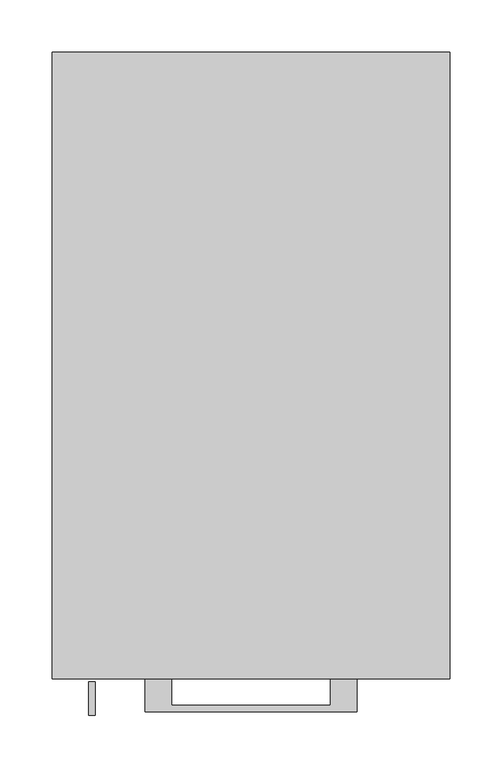
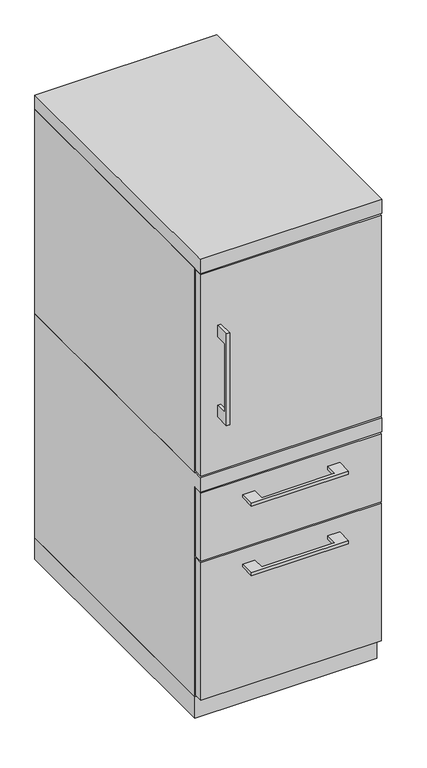
"""IFC4 building model written with IfcOpenShell, lengths in millimetres: furniture geometry."""

from ifc_helpers import new_model, si_unit, frame, origin, origin_with_axes, place, context, project, spatial, polyline, outline, extrude, faceted_brep, source, transform, mapped, element, save


def furniture_416bf3c3(model_context):
    return source(origin(), model_context, "Body", "SolidModel", [
        extrude(outline(polyline([(-603.25, 846.93125), (-628.6499758, 846.93125), (-628.6499758, 694.53125), (-603.25, 694.53125), (-603.25, 669.13125), (-634.9999879, 669.13125), (-634.9999879, 872.33125), (-603.25, 872.33125), (-603.25, 846.93125)])), frame((-155.5749879, 0.0, 0.0), z_axis=(1.0, 0.0, 0.0), x_axis=(0.0, 1.0, 0.0)), (0.0, 0.0, 1.0), 6.3499758),
        extrude(outline(polyline([(188.9125, -600.075), (-188.9125, -600.075), (-188.9125, -581.025), (188.9125, -581.025), (188.9125, -600.075)])), frame((0.0, 0.0, 547.6875), z_axis=(0.0, 0.0, 1.0), x_axis=(1.0, 0.0, 0.0)), (0.0, 0.0, 1.0), 446.0875),
        extrude(outline(polyline([(-76.1999818, -600.075), (-76.1999818, -625.4749758), (76.2, -625.4749758), (76.2, -600.075), (101.5999939, -600.075), (101.5999939, -631.8249879), (-101.5999939, -631.8249879), (-101.5999939, -600.075), (-76.1999818, -600.075)])), frame((0.0, 0.0, 469.9000506), z_axis=(0.0, 0.0, 1.0), x_axis=(1.0, 0.0, 0.0)), (0.0, 0.0, 1.0), 6.3499758),
        extrude(outline(polyline([(188.9125, -581.025), (188.9125, -600.075), (-188.9125, -600.075), (-188.9125, -581.025), (188.9125, -581.025)])), frame((0.0, 0.0, 358.775), z_axis=(0.0, 0.0, 1.0), x_axis=(1.0, 0.0, 0.0)), (0.0, 0.0, 1.0), 150.8125),
        extrude(outline(polyline([(-76.1999818, -600.075), (-76.1999818, -625.4749758), (76.2, -625.4749758), (76.2, -600.075), (101.5999939, -600.075), (101.5999939, -631.8249879), (-101.5999939, -631.8249879), (-101.5999939, -600.075), (-76.1999818, -600.075)])), frame((0.0, 0.0, 315.9125506), z_axis=(0.0, 0.0, 1.0), x_axis=(1.0, 0.0, 0.0)), (0.0, 0.0, 1.0), 6.3499758),
        extrude(outline(polyline([(188.9125, -581.025), (188.9125, -600.075), (-188.9125, -600.075), (-188.9125, -581.025), (188.9125, -581.025)])), frame((0.0, 0.0, 50.8), z_axis=(0.0, 0.0, 1.0), x_axis=(1.0, 0.0, 0.0)), (0.0, 0.0, 1.0), 304.8),
        extrude(outline(polyline([(-171.45, 0.0), (-171.45, -581.025), (-190.5, -581.025), (-190.5, 0.0), (-171.45, 0.0)])), frame((0.0, 0.0, 544.5125), z_axis=(0.0, 0.0, 1.0), x_axis=(1.0, 0.0, 0.0)), (0.0, 0.0, 1.0), 452.4375),
        extrude(outline(polyline([(190.5, -581.025), (171.45, -581.025), (171.45, 0.0), (190.5, 0.0), (190.5, -581.025)])), frame((0.0, 0.0, 544.5125), z_axis=(0.0, 0.0, 1.0), x_axis=(1.0, 0.0, 0.0)), (0.0, 0.0, 1.0), 452.4375),
        extrude(outline(polyline([(171.45, -19.05), (-171.45, -19.05), (-171.45, 0.0), (171.45, 0.0), (171.45, -19.05)])), frame((0.0, 0.0, 47.625), z_axis=(0.0, 0.0, 1.0), x_axis=(1.0, 0.0, 0.0)), (0.0, 0.0, 1.0), 949.325),
        faceted_brep([(-171.45, 0.0, 544.5125), (-190.5, 0.0, 544.5125), (-190.5, -600.075, 544.5125), (190.5, -600.075, 544.5125), (190.5, 0.0, 544.5125), (171.45, 0.0, 544.5125), (171.45, -19.05, 544.5125), (-171.45, -19.05, 544.5125), (-171.45, 0.0, 47.625), (-171.45, -581.025, 47.625), (-190.5, -581.025, 47.625), (-190.5, 0.0, 47.625), (-190.5, -581.025, 512.7625), (-190.5, -600.075, 512.7625), (-171.45, -581.025, 512.7625), (-171.45, -19.05, 512.7625), (190.5, -600.075, 512.7625), (171.45, -19.05, 512.7625), (171.45, -581.025, 512.7625), (190.5, -581.025, 512.7625), (190.5, -581.025, 47.625), (190.5, 0.0, 47.625), (171.45, -581.025, 47.625), (171.45, 0.0, 47.625)], [[[0, 1, 2, 3, 4, 5, 6, 7]], [[8, 9, 10, 11]], [[1, 0, 8, 11]], [[11, 10, 12, 13, 2, 1]], [[10, 9, 14, 12]], [[9, 8, 0, 7, 15, 14]], [[16, 13, 12, 14, 15, 17, 18, 19]], [[15, 7, 6, 17]], [[3, 2, 13, 16]], [[4, 3, 16, 19, 20, 21]], [[21, 20, 22, 23]], [[5, 4, 21, 23]], [[23, 22, 18, 17, 6, 5]], [[22, 20, 19, 18]]]),
        extrude(outline(polyline([(190.5, 0.0), (190.5, -600.075), (-190.5, -600.075), (-190.5, 0.0), (190.5, 0.0)])), frame((0.0, 0.0, 996.95), z_axis=(0.0, 0.0, 1.0), x_axis=(1.0, 0.0, 0.0)), (0.0, 0.0, 1.0), 31.75),
        extrude(outline(polyline([(190.5, 0.0), (190.5, -581.025), (-190.5, -581.025), (-190.5, 0.0), (190.5, 0.0)])), origin_with_axes(), (0.0, 0.0, 1.0), 47.625),
    ])


if __name__ == "__main__":
    model = new_model("IFC4")
    model_context = context("Model", 3, world=origin())
    ifc_project = project(units=[si_unit("LENGTHUNIT", "METRE", prefix="MILLI")], contexts=[model_context])
    site = spatial("IfcSite", under=ifc_project)
    building = spatial("IfcBuilding", under=site)
    placement = place(None, origin())
    furniture_shape = furniture_416bf3c3(model_context)
    element("IfcFurniture", 1, at=placement, inside=building, context=model_context, shape_type="MappedRepresentation", body=[
        mapped(furniture_shape, transform((0.0, 0.0, 0.0), x_axis=(1.0, 0.0, 0.0), y_axis=(0.0, 1.0, 0.0), z_axis=(0.0, 0.0, 1.0))),
    ])
    save(model, "model.ifc")
